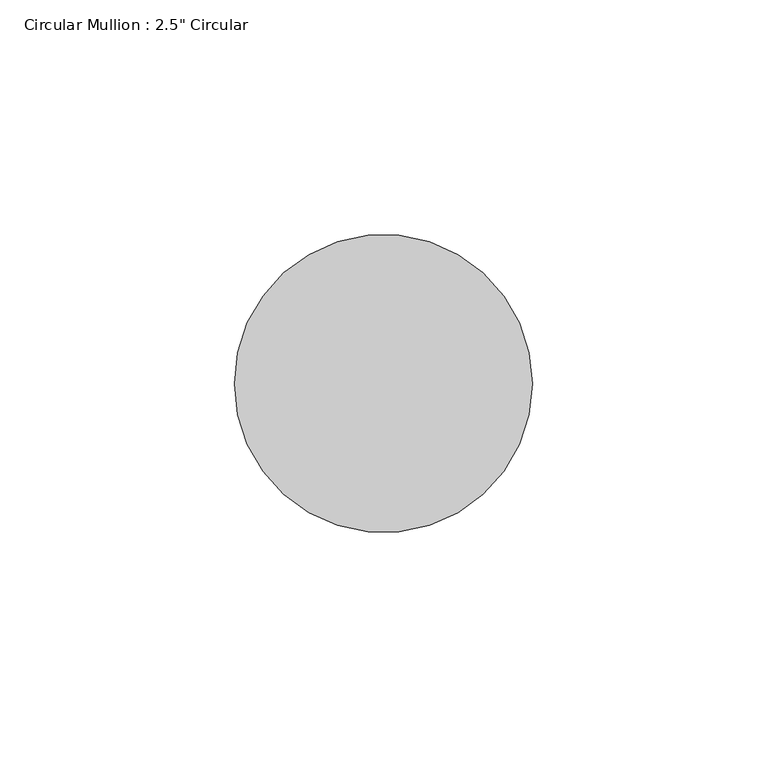
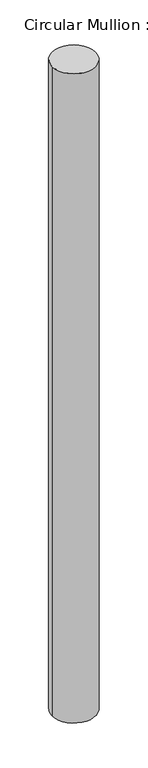
"""IFC4 building model written with IfcOpenShell, lengths in millimetres: member geometry."""

from ifc_helpers import new_model, si_unit, point, frame, frame_2d, origin, place, context, project, spatial, circle_curve, trimmed, segment, composite_curve, outline, extrude, source, transform, mapped, element, save


def member_36651f62(model_context):
    return source(origin(), model_context, "Body", "SweptSolid", [
        extrude(outline(composite_curve([segment(trimmed(circle_curve(frame_2d((-31.75, 0.0)), 31.75), [point((0.0, 0.0))], [point((-63.5, 0.0))], False, "CARTESIAN"), True, "CONTINUOUS"), segment(trimmed(circle_curve(frame_2d((-31.75, 0.0)), 31.75), [point((-63.5, 0.0))], [point((0.0, 0.0))], False, "CARTESIAN"), True, "CONTINUOUS")], self_intersect=False)), frame((0.0, 0.0, -1000.0), z_axis=(0.0, 0.0, 1.0), x_axis=(1.0, 0.0, 0.0)), (0.0, 0.0, 1.0), 1000.0),
    ])


if __name__ == "__main__":
    model = new_model("IFC4")
    model_context = context("Model", 3, world=origin())
    ifc_project = project(units=[si_unit("LENGTHUNIT", "METRE", prefix="MILLI")], contexts=[model_context])
    site = spatial("IfcSite", under=ifc_project)
    building = spatial("IfcBuilding", under=site)
    placement = place(None, origin())
    member_shape = member_36651f62(model_context)
    element("IfcMember", 1, ObjectType="Circular Mullion : 2.5\" Circular", at=placement, inside=building, context=model_context, shape_type="MappedRepresentation", body=[
        mapped(member_shape, transform((0.0, 0.0, 0.0), x_axis=(1.0, 0.0, 0.0), y_axis=(0.0, 1.0, 0.0), z_axis=(0.0, 0.0, 1.0))),
    ])
    save(model, "model.ifc")
